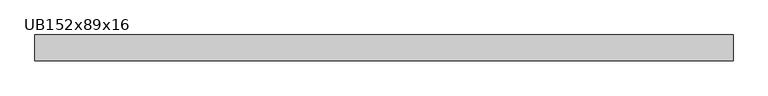
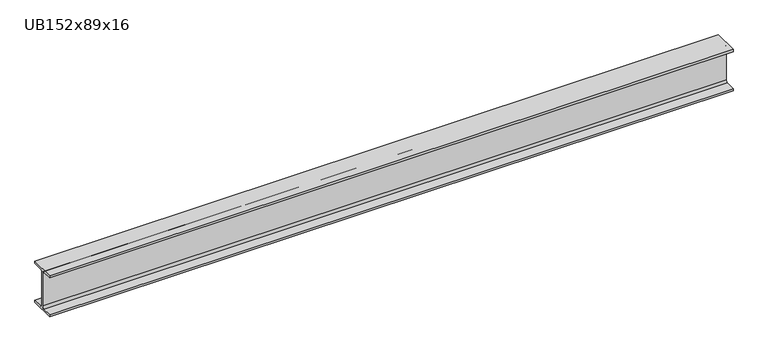
"""IFC4 building model written with IfcOpenShell, lengths in millimetres: beam geometry, UB152x89x16."""

from ifc_helpers import new_model, si_unit, point, frame, frame_2d, origin, place, context, project, spatial, polyline, circle_curve, trimmed, segment, composite_curve, outline, extrude, source, transform, mapped, element, save


def ub152x89x16_9f8f0cbc(model_context):
    return source(origin(), model_context, "Body", "SweptSolid", [
        extrude(outline(composite_curve([segment(polyline([(44.35, -68.5), (44.35, -76.2), (-44.35, -76.2), (-44.35, -68.5), (-9.85, -68.5)]), True, "CONTINUOUS"), segment(trimmed(circle_curve(frame_2d((-9.85, -60.9)), 7.6), [point((-9.85, -68.5))], [point((-2.25, -60.9))], True, "CARTESIAN"), True, "CONTINUOUS"), segment(polyline([(-2.25, -60.9), (-2.25, 60.9)]), True, "CONTINUOUS"), segment(trimmed(circle_curve(frame_2d((-9.85, 60.9)), 7.6), [point((-2.25, 60.9))], [point((-9.85, 68.5))], True, "CARTESIAN"), True, "CONTINUOUS"), segment(polyline([(-9.85, 68.5), (-44.35, 68.5), (-44.35, 76.2), (44.35, 76.2), (44.35, 68.5), (9.85, 68.5)]), True, "CONTINUOUS"), segment(trimmed(circle_curve(frame_2d((9.85, 60.9)), 7.6), [point((9.85, 68.5))], [point((2.25, 60.9))], True, "CARTESIAN"), True, "CONTINUOUS"), segment(polyline([(2.25, 60.9), (2.25, -60.9)]), True, "CONTINUOUS"), segment(trimmed(circle_curve(frame_2d((9.85, -60.9)), 7.6), [point((2.25, -60.9))], [point((9.85, -68.5))], True, "CARTESIAN"), True, "CONTINUOUS"), segment(polyline([(9.85, -68.5), (44.35, -68.5)]), True, "CONTINUOUS")], self_intersect=False)), frame((-1197.1, 0.0, 0.0), z_axis=(1.0, 0.0, 0.0), x_axis=(0.0, 1.0, 0.0)), (0.0, 0.0, 1.0), 2394.2220793),
    ])


if __name__ == "__main__":
    model = new_model("IFC4")
    model_context = context("Model", 3, world=origin())
    ifc_project = project(units=[si_unit("LENGTHUNIT", "METRE", prefix="MILLI")], contexts=[model_context])
    site = spatial("IfcSite", under=ifc_project)
    building = spatial("IfcBuilding", under=site)
    placement = place(None, origin())
    ub152x89x16_shape = ub152x89x16_9f8f0cbc(model_context)
    element("IfcBeam", 1, ObjectType="UB152x89x16", at=placement, inside=building, context=model_context, shape_type="MappedRepresentation", body=[
        mapped(ub152x89x16_shape, transform((0.0, 0.0, 0.0), x_axis=(1.0, 0.0, 0.0), y_axis=(0.0, 1.0, 0.0), z_axis=(0.0, 0.0, 1.0))),
    ])
    save(model, "model.ifc")
